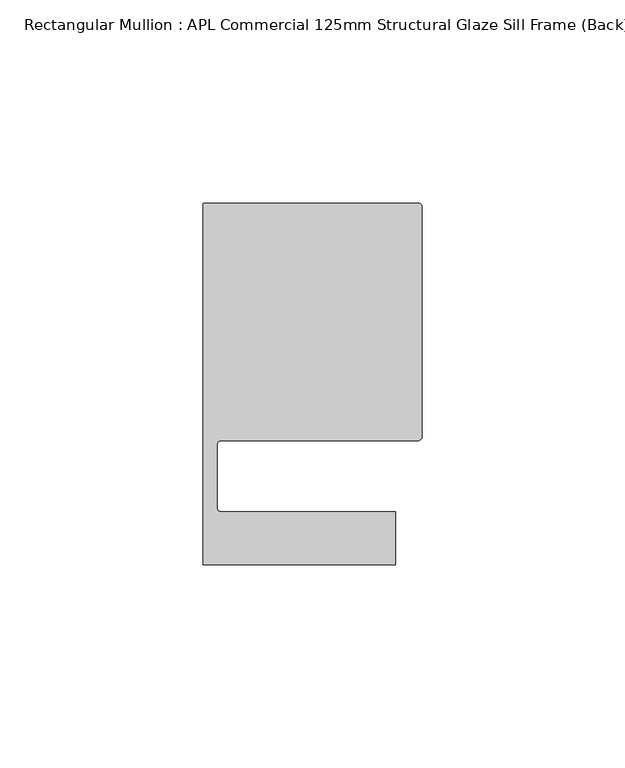
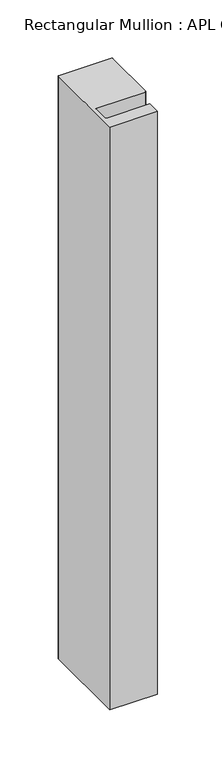
"""IFC4 building model written with IfcOpenShell, lengths in millimetres: member geometry, Rectangular Mullion : APL Commercial 125mm Structural Glaze Sill Frame (Back)."""

import ifcopenshell
import ifcopenshell.guid

model = None  # the IFC model being written
_history = None  # IfcOwnerHistory: only IFC2X3 demands one
_inside = {}  # id of a spatial element -> (the spatial element, [elements in it])
_under = {}  # id of a project, library or spatial element -> (it, [spatial elements below it])
_declared = {}  # id of a project -> (the project, [libraries it declares])
_typed = {}  # id of a type object -> (the type object, [elements of that type])
_made_of = {}  # id of a material, layer set ... -> (it, [elements and type objects made of it])


def new_model(schema):
    """Start an empty IFC model of exactly this schema.

    Asked for "IFC4X3", IfcOpenShell would pick the latest addendum, in which some entities
    have other attributes; the version numbers below select the first issue.
    IFC2X3 requires an IfcOwnerHistory on every rooted entity: one is made here for all.
    """
    global model, _history
    if schema == "IFC4X3":
        model = ifcopenshell.file(schema_version=(4, 3, 0, 0))
    else:
        model = ifcopenshell.file(schema=schema)
    _inside.clear()
    _under.clear()
    _declared.clear()
    _typed.clear()
    _made_of.clear()
    _history = None
    if model.schema == "IFC2X3":
        org = make("IfcOrganization", Name="unknown")
        user = make(
            "IfcPersonAndOrganization",
            ThePerson=make("IfcPerson", FamilyName="unknown"),
            TheOrganization=org,
        )
        app = make(
            "IfcApplication",
            ApplicationDeveloper=org,
            Version="unknown",
            ApplicationFullName="unknown",
            ApplicationIdentifier="unknown",
        )
        _history = make(
            "IfcOwnerHistory",
            OwningUser=user,
            OwningApplication=app,
            ChangeAction="ADDED",
            CreationDate=0,
        )
    return model


def make(cls, **values):
    """One entity of the class cls with the attributes given. An attribute that is None is left unset."""
    return model.create_entity(
        cls, **{name: value for name, value in values.items() if value is not None}
    )


def rooted(cls, **values):
    """An entity with a GlobalId (a new one), such as an element, a storey or a relation."""
    return make(cls, GlobalId=ifcopenshell.guid.new(), OwnerHistory=_history, **values)


def si_unit(unit_type, name, prefix=None):
    """IfcSIUnit, for example si_unit("LENGTHUNIT", "METRE", prefix="MILLI")."""
    return make("IfcSIUnit", UnitType=unit_type, Prefix=prefix, Name=name)


def assignment(units):
    """IfcUnitAssignment: the units of a project."""
    return None if units is None else make("IfcUnitAssignment", Units=units)


def point(xyz):
    """IfcCartesianPoint."""
    return None if xyz is None else make("IfcCartesianPoint", Coordinates=xyz)


def direction(xyz):
    """IfcDirection."""
    return None if xyz is None else make("IfcDirection", DirectionRatios=xyz)


def frame(location, z_axis=None, x_axis=None):
    """IfcAxis2Placement3D, a coordinate frame: its origin and axes. An axis left out is left unset."""
    return make(
        "IfcAxis2Placement3D",
        Location=point(location),
        Axis=direction(z_axis),
        RefDirection=direction(x_axis),
    )


def origin():
    """The frame at (0, 0, 0) with its axes left unset."""
    return frame((0.0, 0.0, 0.0))


def place(relative_to, where):
    """IfcLocalPlacement: puts the frame where relative to a parent placement (None: the world)."""
    return make(
        "IfcLocalPlacement", PlacementRelTo=relative_to, RelativePlacement=where
    )


def context(
    kind, dimensions, precision=None, world=None, true_north=None, identifier=None
):
    """IfcGeometricRepresentationContext, for example the 3D "Model" context."""
    return make(
        "IfcGeometricRepresentationContext",
        ContextIdentifier=identifier,
        ContextType=kind,
        CoordinateSpaceDimension=dimensions,
        Precision=precision,
        WorldCoordinateSystem=world,
        TrueNorth=true_north,
    )


def project(units=None, contexts=None):
    """IfcProject with its units and contexts."""
    return rooted(
        "IfcProject",
        Name="project",
        RepresentationContexts=contexts,
        UnitsInContext=assignment(units),
    )


def spatial(cls, under=None, at=None, **own):
    """A site, building, storey or space (cls), placed at a placement, below another one or the project."""
    s = rooted(cls, ObjectPlacement=at, **own)
    if under is not None:
        _under.setdefault(under.id(), (under, []))[1].append(s)
    return s


def polyline(points):
    """IfcPolyline through the points."""
    return make("IfcPolyline", Points=[point(p) for p in points])


def circle_curve(where, radius):
    """IfcCircle in the frame where."""
    return make("IfcCircle", Position=where, Radius=radius)


def shape(context_of_items, identifier, shape_type, items):
    """IfcShapeRepresentation: the items that make up one representation, for example the "Body"."""
    return make(
        "IfcShapeRepresentation",
        ContextOfItems=context_of_items,
        RepresentationIdentifier=identifier,
        RepresentationType=shape_type,
        Items=items,
    )


def source(mapping_origin, context_of_items, identifier, shape_type, items):
    """IfcRepresentationMap: a shape defined once, which mapped items show again and again."""
    return make(
        "IfcRepresentationMap",
        MappingOrigin=mapping_origin,
        MappedRepresentation=shape(context_of_items, identifier, shape_type, items),
    )


def transform(
    local_origin,
    x_axis=None,
    y_axis=None,
    z_axis=None,
    scale=None,
    scale2=None,
    scale3=None,
    uniform=True,
):
    """IfcCartesianTransformationOperator3D, or its non-uniform kind. x_axis, y_axis, z_axis: its Axis1, 2, 3."""
    if uniform:
        return make(
            "IfcCartesianTransformationOperator3D",
            Axis1=direction(x_axis),
            Axis2=direction(y_axis),
            LocalOrigin=point(local_origin),
            Scale=scale,
            Axis3=direction(z_axis),
        )
    return make(
        "IfcCartesianTransformationOperator3DnonUniform",
        Axis1=direction(x_axis),
        Axis2=direction(y_axis),
        LocalOrigin=point(local_origin),
        Scale=scale,
        Axis3=direction(z_axis),
        Scale2=scale2,
        Scale3=scale3,
    )


def mapped(mapping_source, mapping_target):
    """IfcMappedItem: shows the shape of a source again, moved by a transform."""
    return make(
        "IfcMappedItem", MappingSource=mapping_source, MappingTarget=mapping_target
    )


def made_of(thing, what):
    """Note that an element or type object is made of a material, layer set ...; save() writes the relation."""
    if what is not None:
        _made_of.setdefault(what.id(), (what, []))[1].append(thing)
    return thing


def element(
    cls,
    number,
    at=None,
    inside=None,
    cuts=None,
    type_object=None,
    material=None,
    context=None,
    identifier="Body",
    shape_type=None,
    held_by="IfcProductDefinitionShape",
    body=None,
    shapes=None,
    **own,
):
    """One element of the class cls, such as IfcWall. Its Tag is "e" and its number.

    at: its placement. inside: the storey or other place that contains it. cuts: it is an
    opening in that element (IfcRelVoidsElement). A single representation is given by context,
    identifier, shape_type and body (its items); several are given by shapes. held_by: the class
    of the entity that holds the representations. save() writes the other relations.
    """
    e = rooted(cls, Tag="e%d" % number, ObjectPlacement=at, **own)
    if body is not None:
        shapes = [shape(context, identifier, shape_type, body)]
    if shapes is not None:
        e.Representation = make(held_by, Representations=shapes)
    if inside is not None:
        _inside.setdefault(inside.id(), (inside, []))[1].append(e)
    if cuts is not None:
        rooted(
            "IfcRelVoidsElement", RelatingBuildingElement=cuts, RelatedOpeningElement=e
        )
    if type_object is not None:
        _typed.setdefault(type_object.id(), (type_object, []))[1].append(e)
    return made_of(e, material)


def aggregate(whole, parts):
    """IfcRelAggregates: a whole, such as a stair, and the parts it consists of."""
    return rooted("IfcRelAggregates", RelatingObject=whole, RelatedObjects=parts)


def save(model, path):
    """Write the relations noted so far, then the file.

    IfcRelAggregates (storeys below a building ...), IfcRelContainedInSpatialStructure (elements
    in a storey), IfcRelDefinesByType, IfcRelAssociatesMaterial and IfcRelDeclares: one each for
    every whole, place, type object, material and project.
    """
    for whole, parts in _under.values():
        aggregate(whole, parts)
    for where, things in _inside.values():
        rooted(
            "IfcRelContainedInSpatialStructure",
            RelatedElements=things,
            RelatingStructure=where,
        )
    for kind, things in _typed.values():
        rooted("IfcRelDefinesByType", RelatedObjects=things, RelatingType=kind)
    for what, things in _made_of.values():
        rooted("IfcRelAssociatesMaterial", RelatedObjects=things, RelatingMaterial=what)
    for by, libraries in _declared.values():
        rooted("IfcRelDeclares", RelatingContext=by, RelatedDefinitions=libraries)
    model.write(path)


def plane_surface(at):
    """IfcPlane: the flat surface through the origin of the frame at, square to its z axis."""
    return make("IfcPlane", Position=at)


def cylinder_surface(at, radius):
    """IfcCylindricalSurface: all points at the distance radius from the z axis of the frame at."""
    return make("IfcCylindricalSurface", Position=at, Radius=radius)


def revolved_surface(curve, axis_point, axis_direction):
    """IfcSurfaceOfRevolution: the curve turned about the line through axis_point along axis_direction."""
    return make(
        "IfcSurfaceOfRevolution",
        SweptCurve=make("IfcArbitraryOpenProfileDef", ProfileType="CURVE", Curve=curve),
        AxisPosition=make("IfcAxis1Placement", Location=point(axis_point), Axis=direction(axis_direction)),
    )


def advanced_brep(points, edges, surfaces, faces):
    """IfcAdvancedBrep: a solid bounded by faces that lie on surfaces and meet in shared edges.

    An edge is (start, end): straight between two places in points (the first is 0);
    or (start, end, curve); or (start, end, curve, False) where it runs against its curve.
    A face is (place in surfaces, loops), or (place, loops, False) where it looks against
    its surface's normal. A loop lists edges by number (the first is 1), with a minus sign
    where the edge is run from its end to its start. The first loop is the outer one.
    """
    corners = [point(p) for p in points]
    vertices = [make("IfcVertexPoint", VertexGeometry=c) for c in corners]
    made = []
    for start, end, *more in edges:
        made.append(
            make(
                "IfcEdgeCurve",
                EdgeStart=vertices[start],
                EdgeEnd=vertices[end],
                EdgeGeometry=more[0] if more else make("IfcPolyline", Points=[corners[start], corners[end]]),
                SameSense=more[1] if len(more) > 1 else True,
            )
        )
    hull = []
    for where, loops, *sense in faces:
        bounds = []
        for j, loop in enumerate(loops):
            ring = [make("IfcOrientedEdge", EdgeElement=made[abs(k) - 1], Orientation=k > 0) for k in loop]
            bounds.append(
                make(
                    "IfcFaceOuterBound" if j == 0 else "IfcFaceBound",
                    Bound=make("IfcEdgeLoop", EdgeList=ring),
                    Orientation=True,
                )
            )
        hull.append(make("IfcAdvancedFace", Bounds=bounds, FaceSurface=surfaces[where], SameSense=sense[0] if sense else True))
    return make("IfcAdvancedBrep", Outer=make("IfcClosedShell", CfsFaces=hull))


def rectangular_mullion_apl_commercial_125mm_structural_glaze_ad421e14(model_context):
    return source(origin(), model_context, "Body", "AdvancedBrep", [
        advanced_brep(
        [(-53.5000029, 104.0, 0.0), (-54.0000029, 103.5, 0.0), (-54.0000029, 15.0004332, 0.0), (-6.5000029, 15.0004332, 0.0), (-6.5000029, 28.0004332, 0.0), (-49.5000029, 28.0004332, 0.0), (-50.5000029, 29.0004332, 0.0), (-50.5000029, 44.5010268, 0.0), (-49.5000004, 45.5010268, 0.0), (-1.0, 45.5010268, 0.0), (0.0, 46.5010268, 0.0), (0.0, 103.0, 0.0), (-1.0000025, 104.0, 0.0), (-53.5000029, 104.0, -613.1972486), (-1.0000025, 104.0, -613.1972486), (-2.5e-06, 103.0, -613.1972486), (0.0, 46.5010268, -613.1972486), (-1.0, 45.5010268, -613.1972486), (-49.5000004, 45.5010268, -613.1972486), (-50.5000004, 44.5010268, -613.1972486), (-50.5000029, 29.0004332, -613.1972486), (-49.5000029, 28.0004332, -613.1972486), (-6.5000029, 28.0004332, -613.1972486), (-6.5000029, 15.0004332, -613.1972486), (-54.0000029, 15.0004332, -613.1972486), (-54.0000029, 103.5, -613.1972486)],
        [
            (0, 1, circle_curve(frame((-53.5000029, 103.5, 0.0), z_axis=(0.0, 0.0, 1.0), x_axis=(0.0, 1.0, 0.0)), 0.5)),
            (1, 2),
            (2, 3),
            (3, 4),
            (4, 5),
            (5, 6, circle_curve(frame((-49.5000029, 29.0004332, 0.0), z_axis=(0.0, 0.0, -1.0), x_axis=(0.0, -1.0, 0.0)), 1.0)),
            (6, 7),
            (7, 8, circle_curve(frame((-49.5000004, 44.5010268, 0.0), z_axis=(0.0, 0.0, -1.0), x_axis=(-0.9999999999998819, 4.863123717036027e-07, 0.0)), 1.0)),
            (8, 9),
            (9, 10, circle_curve(frame((-1.0, 46.5010268, 0.0), z_axis=(0.0, 0.0, 1.0), x_axis=(0.0, -1.0, 0.0)), 1.0)),
            (10, 11),
            (11, 12, circle_curve(frame((-1.0000025, 103.0, 0.0), z_axis=(0.0, 0.0, 1.0), x_axis=(0.9999999999996143, 8.78371761103865e-07, 0.0)), 1.0)),
            (12, 0),
            (13, 14),
            (14, 15, circle_curve(frame((-1.0000025, 103.0, -613.1972486), z_axis=(0.0, 0.0, -1.0), x_axis=(0.9999999999996143, 8.78371761103865e-07, 0.0)), 1.0)),
            (15, 16),
            (16, 17, circle_curve(frame((-1.0, 46.5010268, -613.1972486), z_axis=(0.0, 0.0, -1.0), x_axis=(0.0, -1.0, 0.0)), 1.0)),
            (17, 18),
            (18, 19, circle_curve(frame((-49.5000004, 44.5010268, -613.1972486), z_axis=(0.0, 0.0, 1.0), x_axis=(-0.9999999999998819, 4.863123717036027e-07, 0.0)), 1.0)),
            (19, 20),
            (20, 21, circle_curve(frame((-49.5000029, 29.0004332, -613.1972486), z_axis=(0.0, 0.0, 1.0), x_axis=(0.0, -1.0, 0.0)), 1.0)),
            (21, 22),
            (22, 23),
            (23, 24),
            (24, 25),
            (25, 13, circle_curve(frame((-53.5000029, 103.5, -613.1972486), z_axis=(0.0, 0.0, -1.0), x_axis=(0.0, 1.0, 0.0)), 0.5)),
            (0, 13),
            (25, 1),
            (24, 2),
            (23, 3),
            (22, 4),
            (21, 5),
            (20, 6),
            (19, 7),
            (18, 8),
            (17, 9),
            (16, 10),
            (15, 11),
            (14, 12),
        ],
        [
            plane_surface(frame((0.0, -116.986179, 0.0), z_axis=(0.0, 0.0, 1.0), x_axis=(-1.0, 0.0, 0.0))),
            plane_surface(frame((0.0, -116.986179, -613.1972486), z_axis=(0.0, 0.0, -1.0), x_axis=(-1.0, 0.0, 0.0))),
            cylinder_surface(frame((-53.5000029, 103.5, 0.0), z_axis=(0.0, 0.0, 1.0), x_axis=(0.0, 1.0, 0.0)), 0.5),
            plane_surface(frame((-54.0000029, 103.5, 0.0), z_axis=(-1.0, 0.0, 0.0), x_axis=(0.0, 0.0, -1.0))),
            plane_surface(frame((-54.0000029, 15.0004332, 0.0), z_axis=(0.0, -1.0, 0.0), x_axis=(0.0, 0.0, -1.0))),
            plane_surface(frame((-6.5000029, 15.0004332, 0.0), z_axis=(1.0, 0.0, 0.0), x_axis=(0.0, 0.0, -1.0))),
            plane_surface(frame((-6.5000029, 28.0004332, 0.0), z_axis=(0.0, 1.0, 0.0), x_axis=(0.0, 0.0, -1.0))),
            revolved_surface(polyline([(-49.5000029, 28.0004332, -613.1972486), (-49.5000029, 28.0004332, 0.0)]), (-49.5000029, 29.0004332, 0.0), (0.0, 0.0, -1.0)),
            plane_surface(frame((-50.5000029, 29.0004332, 0.0), z_axis=(1.0, 0.0, 0.0), x_axis=(0.0, 0.0, -1.0))),
            revolved_surface(polyline([(-50.50000039999988, 44.50102728631237, -613.1972486000002), (-50.50000039999988, 44.50102728631237, 0.0)]), (-49.5000004, 44.5010268, 0.0), (0.0, 0.0, -1.0000000000000002)),
            plane_surface(frame((-49.5000004, 45.5010268, 0.0), z_axis=(0.0, -1.0, 0.0), x_axis=(0.0, 0.0, -1.0))),
            cylinder_surface(frame((-1.0, 46.5010268, 0.0), z_axis=(0.0, 0.0, 1.0), x_axis=(0.0, -1.0, 0.0)), 1.0),
            plane_surface(frame((0.0, 46.5010268, 0.0), z_axis=(1.0, 0.0, 0.0), x_axis=(0.0, 0.0, -1.0))),
            cylinder_surface(frame((-1.0000025, 103.0, 0.0), z_axis=(0.0, 0.0, 1.0000000000000002), x_axis=(0.9999999999996143, 8.78371761103865e-07, 0.0)), 1.0),
            plane_surface(frame((-1.0000025, 104.0, 0.0), z_axis=(0.0, 1.0, 0.0), x_axis=(0.0, 0.0, -1.0))),
        ],
        [
            (0, [[1, 2, 3, 4, 5, 6, 7, 8, 9, 10, 11, 12, 13]]),
            (1, [[14, 15, 16, 17, 18, 19, 20, 21, 22, 23, 24, 25, 26]]),
            (2, [[-1, 27, -26, 28]]),
            (3, [[-2, -28, -25, 29]]),
            (4, [[-3, -29, -24, 30]]),
            (5, [[-4, -30, -23, 31]]),
            (6, [[-5, -31, -22, 32]]),
            (7, [[-6, -32, -21, 33]]),
            (8, [[-7, -33, -20, 34]]),
            (9, [[-8, -34, -19, 35]]),
            (10, [[-9, -35, -18, 36]]),
            (11, [[-10, -36, -17, 37]]),
            (12, [[-11, -37, -16, 38]]),
            (13, [[-12, -38, -15, 39]]),
            (14, [[-13, -39, -14, -27]]),
        ],
    ),
    ])


if __name__ == "__main__":
    model = new_model("IFC4")
    model_context = context("Model", 3, world=origin())
    ifc_project = project(units=[si_unit("LENGTHUNIT", "METRE", prefix="MILLI")], contexts=[model_context])
    site = spatial("IfcSite", under=ifc_project)
    building = spatial("IfcBuilding", under=site)
    placement = place(None, origin())
    rectangular_mullion_apl_commercial_125mm_structural_glaze_shape = rectangular_mullion_apl_commercial_125mm_structural_glaze_ad421e14(model_context)
    element("IfcMember", 1, ObjectType="Rectangular Mullion : APL Commercial 125mm Structural Glaze Sill Frame (Back)", at=placement, inside=building, context=model_context, shape_type="MappedRepresentation", body=[
        mapped(rectangular_mullion_apl_commercial_125mm_structural_glaze_shape, transform((0.0, 0.0, 0.0), x_axis=(1.0, 0.0, 0.0), y_axis=(0.0, 1.0, 0.0), z_axis=(0.0, 0.0, 1.0))),
    ])
    save(model, "model.ifc")
